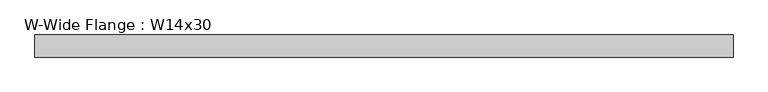
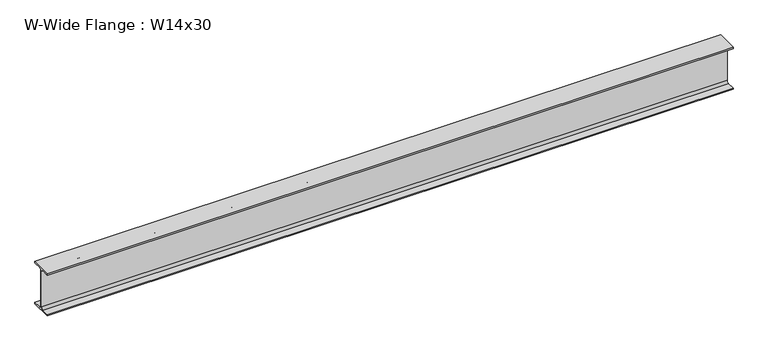
"""IFC4 building model written with IfcOpenShell, lengths in millimetres: beam geometry, W-Wide Flange : W14x30."""

from ifc_helpers import new_model, si_unit, point, frame, frame_2d, origin, place, context, project, spatial, polyline, circle_curve, trimmed, segment, composite_curve, outline, extrude, source, transform, mapped, element, save


def w_wide_flange_w14x30_3d7e3570(model_context):
    return source(origin(), model_context, "Body", "SweptSolid", [
        extrude(outline(composite_curve([segment(polyline([(85.471, -165.481), (85.471, -175.26), (-85.471, -175.26), (-85.471, -165.481), (-22.225, -165.481)]), True, "CONTINUOUS"), segment(trimmed(circle_curve(frame_2d((-22.225, -146.685)), 18.796), [point((-22.225, -165.481))], [point((-3.429, -146.685))], True, "CARTESIAN"), True, "CONTINUOUS"), segment(polyline([(-3.429, -146.685), (-3.429, 146.685)]), True, "CONTINUOUS"), segment(trimmed(circle_curve(frame_2d((-22.225, 146.685)), 18.796), [point((-3.429, 146.685))], [point((-22.225, 165.481))], True, "CARTESIAN"), True, "CONTINUOUS"), segment(polyline([(-22.225, 165.481), (-85.471, 165.481), (-85.471, 175.26), (85.471, 175.26), (85.471, 165.481), (22.225, 165.481)]), True, "CONTINUOUS"), segment(trimmed(circle_curve(frame_2d((22.225, 146.685)), 18.796), [point((22.225, 165.481))], [point((3.429, 146.685))], True, "CARTESIAN"), True, "CONTINUOUS"), segment(polyline([(3.429, 146.685), (3.429, -146.685)]), True, "CONTINUOUS"), segment(trimmed(circle_curve(frame_2d((22.225, -146.685)), 18.796), [point((3.429, -146.685))], [point((22.225, -165.481))], True, "CARTESIAN"), True, "CONTINUOUS"), segment(polyline([(22.225, -165.481), (85.471, -165.481)]), True, "CONTINUOUS")], self_intersect=False)), frame((-2650.49, 0.0, 0.0), z_axis=(1.0, 0.0, 0.0), x_axis=(0.0, 1.0, 0.0)), (0.0, 0.0, 1.0), 5402.58),
    ])


if __name__ == "__main__":
    model = new_model("IFC4")
    model_context = context("Model", 3, world=origin())
    ifc_project = project(units=[si_unit("LENGTHUNIT", "METRE", prefix="MILLI")], contexts=[model_context])
    site = spatial("IfcSite", under=ifc_project)
    building = spatial("IfcBuilding", under=site)
    placement = place(None, origin())
    w_wide_flange_w14x30_shape = w_wide_flange_w14x30_3d7e3570(model_context)
    element("IfcBeam", 1, ObjectType="W-Wide Flange : W14x30", at=placement, inside=building, context=model_context, shape_type="MappedRepresentation", body=[
        mapped(w_wide_flange_w14x30_shape, transform((0.0, 0.0, 0.0), x_axis=(1.0, 0.0, 0.0), y_axis=(0.0, 1.0, 0.0), z_axis=(0.0, 0.0, 1.0))),
    ])
    save(model, "model.ifc")
